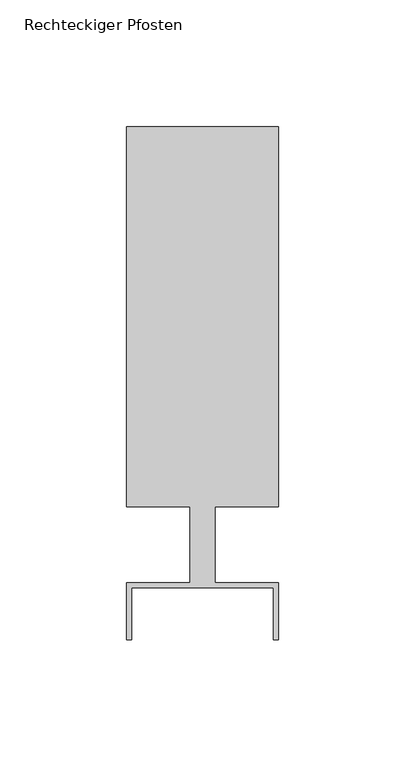
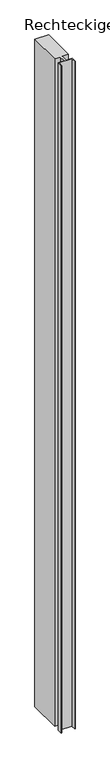
"""IFC4 building model written with IfcOpenShell, lengths in millimetres: member geometry, Rechteckiger Pfosten."""

from ifc_helpers import new_model, si_unit, frame, origin, place, context, project, spatial, polyline, outline, extrude, source, transform, mapped, element, save


def rechteckiger_pfosten_ad8df473(model_context):
    return source(origin(), model_context, "Body", "SweptSolid", [
        extrude(outline(polyline([(28.0, -37.5), (28.0, -17.0), (-28.0, -17.0), (-28.0, -37.5), (-30.0, -37.5), (-30.0, -15.0), (-5.0, -15.0), (-5.0, 15.0), (-30.0, 15.0), (-30.0, 165.0), (30.0, 165.0), (30.0, 15.0), (5.0, 15.0), (5.0, -15.0), (30.0, -15.0), (30.0, -37.5), (28.0, -37.5)])), frame((0.0, 0.0, -3110.0), z_axis=(0.0, 0.0, 1.0), x_axis=(1.0, 0.0, 0.0)), (0.0, 0.0, 1.0), 3110.0),
    ])


if __name__ == "__main__":
    model = new_model("IFC4")
    model_context = context("Model", 3, world=origin())
    ifc_project = project(units=[si_unit("LENGTHUNIT", "METRE", prefix="MILLI")], contexts=[model_context])
    site = spatial("IfcSite", under=ifc_project)
    building = spatial("IfcBuilding", under=site)
    placement = place(None, origin())
    rechteckiger_pfosten_shape = rechteckiger_pfosten_ad8df473(model_context)
    element("IfcMember", 1, ObjectType="Rechteckiger Pfosten", at=placement, inside=building, context=model_context, shape_type="MappedRepresentation", body=[
        mapped(rechteckiger_pfosten_shape, transform((0.0, 0.0, 0.0), x_axis=(1.0, 0.0, 0.0), y_axis=(0.0, 1.0, 0.0), z_axis=(0.0, 0.0, 1.0))),
    ])
    save(model, "model.ifc")
